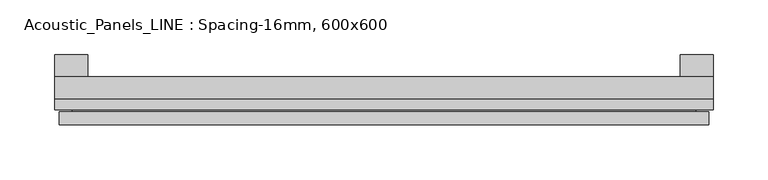
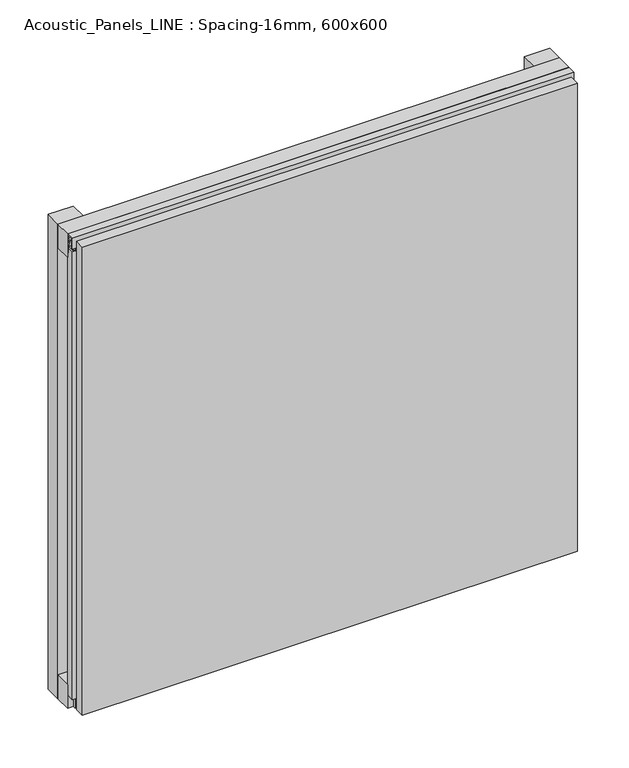
"""IFC4 building model written with IfcOpenShell, lengths in millimetres: plate geometry, Acoustic_Panels_LINE : Spacing-16mm, 600x600."""

from ifc_helpers import new_model, si_unit, frame, origin, origin_with_axes, place, context, project, spatial, polyline, outline, extrude, faceted_brep, source, transform, mapped, element, save


def acoustic_panels_line_spacing_16mm_600x600_6a661b1b(model_context):
    return source(origin(), model_context, "Body", "SolidModel", [
        extrude(outline(polyline([(-300.0, -40.0), (-300.0, -20.0), (300.0, -20.0), (300.0, -40.0), (-300.0, -40.0)])), frame((0.0, 0.0, 570.0), z_axis=(0.0, 0.0, 1.0), x_axis=(1.0, 0.0, 0.0)), (0.0, 0.0, 1.0), 30.0),
        extrude(outline(polyline([(-300.0, -40.0), (-300.0, -20.0), (300.0, -20.0), (300.0, -40.0), (-300.0, -40.0)])), origin_with_axes(), (0.0, 0.0, 1.0), 30.0),
        extrude(outline(polyline([(270.0, 0.0), (300.0, 0.0), (300.0, -20.0), (270.0, -20.0), (270.0, 0.0)])), origin_with_axes(), (0.0, 0.0, 1.0), 600.0),
        extrude(outline(polyline([(-270.0, 0.0), (-270.0, -20.0), (-300.0, -20.0), (-300.0, 0.0), (-270.0, 0.0)])), origin_with_axes(), (0.0, 0.0, 1.0), 600.0),
        extrude(outline(polyline([(-40.0, 593.700916), (-43.5, 593.700916), (-40.0553267, 584.6441401), (-40.0553267, 577.008452), (-41.4553267, 577.008452), (-41.4553267, 584.4296606), (-45.5140545, 595.100916), (-41.4, 595.100916), (-41.4, 598.5843193), (-48.7, 598.5843193), (-48.7, 586.5843193), (-50.1, 586.5843193), (-50.1, 600.0), (-40.0, 600.0), (-40.0, 593.700916)])), frame((-300.0, 0.0, 0.0), z_axis=(1.0, 0.0, 0.0), x_axis=(0.0, 1.0, 0.0)), (0.0, 0.0, 1.0), 600.0),
        extrude(outline(polyline([(-293.700916, -40.0), (-293.700916, -43.5), (-284.6441401, -40.0553267), (-277.008452, -40.0553267), (-277.008452, -41.4553267), (-284.4296606, -41.4553267), (-295.100916, -45.5140545), (-295.100916, -41.4), (-298.5843193, -41.4), (-298.5843193, -48.7), (-286.5843193, -48.7), (-286.5843193, -50.1), (-300.0, -50.1), (-300.0, -40.0), (-293.700916, -40.0)])), frame((0.0, 0.0, 16.9558599), z_axis=(0.0, 0.0, 1.0), x_axis=(1.0, 0.0, 0.0)), (0.0, 0.0, 1.0), 566.0882802),
        faceted_brep([(296.0, -45.9, 596.0), (-296.0, -45.9, 596.0), (-296.0, -48.7, 596.0), (296.0, -48.7, 596.0), (-296.0, -63.9, 596.0), (296.0, -63.9, 596.0), (296.0, -51.9, 596.0), (-296.0, -51.9, 596.0), (-296.0, -45.9, 4.0), (296.0, -45.9, 4.0), (296.0, -48.7, 4.0), (-296.0, -48.7, 4.0), (296.0, -63.9, 4.0), (-296.0, -63.9, 4.0), (-296.0, -51.9, 4.0), (296.0, -51.9, 4.0), (284.0, -51.9, 584.0), (284.0, -51.9, 16.0), (284.0, -48.7, 16.0), (284.0, -48.7, 584.0), (-284.0, -51.9, 16.0), (-284.0, -48.7, 16.0), (-284.0, -51.9, 584.0), (-284.0, -48.7, 584.0)], [[[0, 1, 2, 3]], [[4, 5, 6, 7]], [[8, 9, 10, 11]], [[12, 13, 14, 15]], [[1, 0, 9, 8]], [[1, 8, 11, 2]], [[13, 4, 7, 14]], [[5, 4, 13, 12]], [[9, 0, 3, 10]], [[5, 12, 15, 6]], [[16, 17, 18, 19]], [[18, 17, 20, 21]], [[21, 20, 22, 23]], [[16, 19, 23, 22]], [[7, 6, 15, 14], [17, 16, 22, 20]], [[3, 2, 11, 10], [19, 18, 21, 23]]]),
    ])


if __name__ == "__main__":
    model = new_model("IFC4")
    model_context = context("Model", 3, world=origin())
    ifc_project = project(units=[si_unit("LENGTHUNIT", "METRE", prefix="MILLI")], contexts=[model_context])
    site = spatial("IfcSite", under=ifc_project)
    building = spatial("IfcBuilding", under=site)
    placement = place(None, origin())
    acoustic_panels_line_spacing_16mm_600x600_shape = acoustic_panels_line_spacing_16mm_600x600_6a661b1b(model_context)
    element("IfcPlate", 1, ObjectType="Acoustic_Panels_LINE : Spacing-16mm, 600x600", at=placement, inside=building, context=model_context, shape_type="MappedRepresentation", body=[
        mapped(acoustic_panels_line_spacing_16mm_600x600_shape, transform((0.0, 0.0, 0.0), x_axis=(1.0, 0.0, 0.0), y_axis=(0.0, 1.0, 0.0), z_axis=(0.0, 0.0, 1.0))),
    ])
    save(model, "model.ifc")
